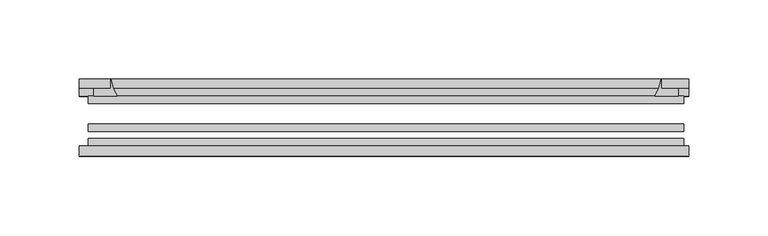
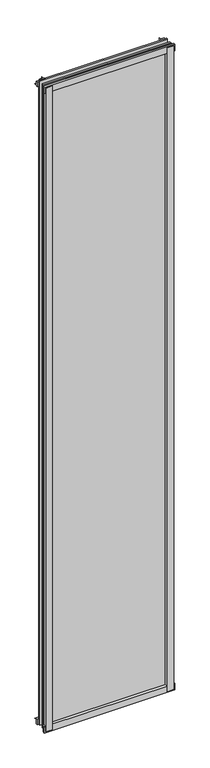
"""IFC4 building model written with IfcOpenShell, lengths in millimetres: plate geometry."""

from ifc_helpers import new_model, si_unit, point, frame, frame_2d, origin, place, context, project, spatial, polyline, circle_curve, trimmed, segment, composite_curve, outline, extrude, source, transform, mapped, element, save


def plate_6dcbe5f1(model_context):
    return source(origin(), model_context, "Body", "SweptSolid", [
        extrude(outline(composite_curve([segment(polyline([(-190.6692461, -78.7828625), (-169.2480448, -78.7828625)]), True, "CONTINUOUS"), segment(trimmed(circle_curve(frame_2d((-161.6108792, -84.652782)), 9.6323545), [point((-169.2480448, -78.7828625))], [point((-171.2312626, -85.1328625))], True, "CARTESIAN"), True, "CONTINUOUS"), segment(polyline([(-171.2312626, -85.1328625), (-190.6692461, -85.1328625), (-190.6692461, -78.7828625)]), True, "CONTINUOUS")], self_intersect=False)), frame((0.0, 0.0, -14.2875), z_axis=(0.0, 0.0, 1.0), x_axis=(1.0, 0.0, 0.0)), (0.0, 0.0, 1.0), 2009.775),
        extrude(outline(composite_curve([segment(polyline([(188.1314652, -78.7828625), (188.1314652, -85.1328625), (168.6515751, -85.1328625)]), True, "CONTINUOUS"), segment(trimmed(circle_curve(frame_2d((159.0311917, -84.652782)), 9.6323545), [point((168.6515751, -85.1328625))], [point((166.6683573, -78.7828625))], True, "CARTESIAN"), True, "CONTINUOUS"), segment(polyline([(166.6683573, -78.7828625), (188.1314652, -78.7828625)]), True, "CONTINUOUS")], self_intersect=False)), frame((0.0, 0.0, -14.2875), z_axis=(0.0, 0.0, 1.0), x_axis=(1.0, 0.0, 0.0)), (0.0, 0.0, 1.0), 2009.775),
        extrude(outline(composite_curve([segment(polyline([(-47.1852625, -14.2875), (-47.1852625, 3.9588469)]), True, "CONTINUOUS"), segment(trimmed(circle_curve(frame_2d((-30.6824422, 32.267054)), 32.7673262), [point((-47.1852625, 3.9588469))], [point((-36.3503395, -0.00635))], True, "CARTESIAN"), True, "CONTINUOUS"), segment(polyline([(-36.3503395, -0.00635), (-42.2830625, -0.00635), (-42.2830625, -14.2875), (-47.1852625, -14.2875)]), True, "CONTINUOUS")], self_intersect=False)), frame((-193.8442461, 0.0, 0.0), z_axis=(1.0, 0.0, 0.0), x_axis=(0.0, 1.0, 0.0)), (0.0, 0.0, 1.0), 385.1088047),
        extrude(outline(composite_curve([segment(polyline([(-78.7828625, -16.8821065), (-85.1328625, -16.8821065), (-85.1328625, 2.5977835)]), True, "CONTINUOUS"), segment(trimmed(circle_curve(frame_2d((-84.652782, 12.2181669)), 9.6323545), [point((-85.1328625, 2.5977835))], [point((-78.7828625, 4.5810013))], True, "CARTESIAN"), True, "CONTINUOUS"), segment(polyline([(-78.7828625, 4.5810013), (-78.7828625, -16.8821065)]), True, "CONTINUOUS")], self_intersect=False)), frame((-193.8442461, 0.0, 0.0), z_axis=(1.0, 0.0, 0.0), x_axis=(0.0, 1.0, 0.0)), (0.0, 0.0, 1.0), 385.1088047),
        extrude(outline(composite_curve([segment(polyline([(-47.1852625, 1977.2284531), (-47.1852625, 1991.9002564), (-42.2830625, 1991.9002564), (-42.2830625, 1981.2), (-36.3140625, 1981.2)]), True, "CONTINUOUS"), segment(trimmed(circle_curve(frame_2d((-30.6824422, 1948.920246)), 32.7673262), [point((-36.3140625, 1981.2))], [point((-47.1852625, 1977.2284531))], True, "CARTESIAN"), True, "CONTINUOUS")], self_intersect=False)), frame((-193.8442461, 0.0, 0.0), z_axis=(1.0, 0.0, 0.0), x_axis=(0.0, 1.0, 0.0)), (0.0, 0.0, 1.0), 385.1088047),
        extrude(outline(composite_curve([segment(polyline([(-78.7828625, 1998.0694065), (-78.7828625, 1976.6062987)]), True, "CONTINUOUS"), segment(trimmed(circle_curve(frame_2d((-84.652782, 1968.9691331)), 9.6323545), [point((-78.7828625, 1976.6062987))], [point((-85.1328625, 1978.5895165))], True, "CARTESIAN"), True, "CONTINUOUS"), segment(polyline([(-85.1328625, 1978.5895165), (-85.1328625, 1998.0694065), (-78.7828625, 1998.0694065)]), True, "CONTINUOUS")], self_intersect=False)), frame((-193.8442461, 0.0, 0.0), z_axis=(1.0, 0.0, 0.0), x_axis=(0.0, 1.0, 0.0)), (0.0, 0.0, 1.0), 385.1088047),
        extrude(outline(composite_curve([segment(trimmed(circle_curve(frame_2d((141.5223046, -30.6824422)), 32.7673262), [point((169.8305117, -47.1852625))], [point((173.8020586, -36.3140625))], True, "CARTESIAN"), True, "CONTINUOUS"), segment(polyline([(173.8020586, -36.3140625), (173.8020586, -42.2830625), (184.502424, -42.2830625), (184.502424, -47.1852625), (169.8305117, -47.1852625)]), True, "CONTINUOUS")], self_intersect=False)), frame((0.0, 0.0, -14.2875), z_axis=(0.0, 0.0, 1.0), x_axis=(1.0, 0.0, 0.0)), (0.0, 0.0, 1.0), 2009.775),
        extrude(outline(composite_curve([segment(polyline([(-169.8305117, -47.1852625), (-184.4972678, -47.1852625), (-184.4972678, -42.2830625), (-173.8020586, -42.2830625), (-173.8020586, -36.3140625)]), True, "CONTINUOUS"), segment(trimmed(circle_curve(frame_2d((-141.5223046, -30.6824422)), 32.7673262), [point((-173.8020586, -36.3140625))], [point((-169.8305117, -47.1852625))], True, "CARTESIAN"), True, "CONTINUOUS")], self_intersect=False)), frame((0.0, 0.0, -14.2875), z_axis=(0.0, 0.0, 1.0), x_axis=(1.0, 0.0, 0.0)), (0.0, 0.0, 1.0), 2009.775),
        extrude(outline(polyline([(188.0895586, -64.6604625), (188.0895586, -69.4356625), (-188.0895586, -69.4356625), (-188.0895586, -64.6604625), (188.0895586, -64.6604625)])), frame((0.0, 0.0, -14.2875), z_axis=(0.0, 0.0, 1.0), x_axis=(1.0, 0.0, 0.0)), (0.0, 0.0, 1.0), 2009.775),
        extrude(outline(polyline([(-188.0895586, -78.7828625), (-188.0895586, -74.0076625), (188.0895586, -74.0076625), (188.0895586, -78.7828625), (-188.0895586, -78.7828625)])), frame((0.0, 0.0, -14.2875), z_axis=(0.0, 0.0, 1.0), x_axis=(1.0, 0.0, 0.0)), (0.0, 0.0, 1.0), 2009.775),
        extrude(outline(polyline([(-188.0895586, -47.1852625), (188.0895586, -47.1852625), (188.0895586, -51.9604625), (-188.0895586, -51.9604625), (-188.0895586, -47.1852625)])), frame((0.0, 0.0, -14.2875), z_axis=(0.0, 0.0, 1.0), x_axis=(1.0, 0.0, 0.0)), (0.0, 0.0, 1.0), 2009.775),
    ])


if __name__ == "__main__":
    model = new_model("IFC4")
    model_context = context("Model", 3, world=origin())
    ifc_project = project(units=[si_unit("LENGTHUNIT", "METRE", prefix="MILLI")], contexts=[model_context])
    site = spatial("IfcSite", under=ifc_project)
    building = spatial("IfcBuilding", under=site)
    placement = place(None, origin())
    plate_shape = plate_6dcbe5f1(model_context)
    element("IfcPlate", 1, at=placement, inside=building, context=model_context, shape_type="MappedRepresentation", body=[
        mapped(plate_shape, transform((0.0, 0.0, 0.0), x_axis=(1.0, 0.0, 0.0), y_axis=(0.0, 1.0, 0.0), z_axis=(0.0, 0.0, 1.0))),
    ])
    save(model, "model.ifc")
